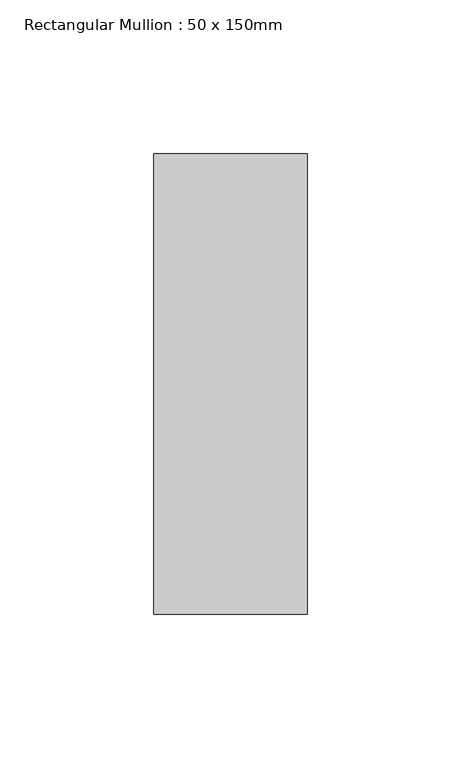
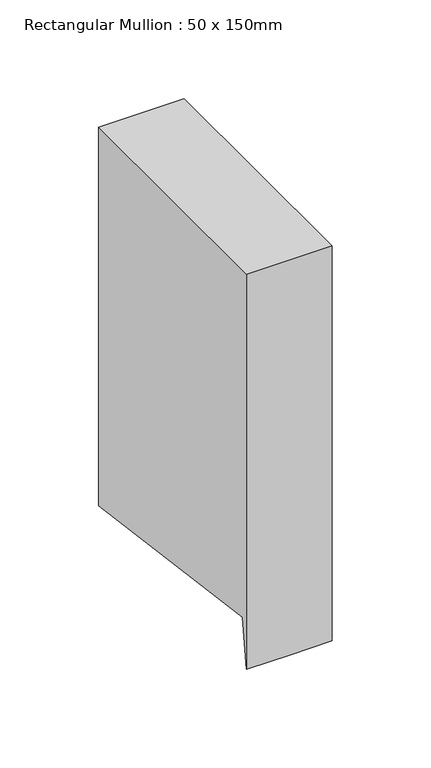
"""IFC4 building model written with IfcOpenShell, lengths in millimetres: member geometry, Rectangular Mullion : 50 x 150mm."""

from ifc_helpers import new_model, si_unit, origin, place, context, project, spatial, faceted_brep, source, transform, mapped, element, save


def rectangular_mullion_50_x_150mm_d0955bd7(model_context):
    return source(origin(), model_context, "Body", "Brep", [
        faceted_brep([(25.0, 75.0, 0.0), (-25.0, 75.0, 0.0), (-25.0, -75.0, 0.0), (25.0, -75.0, 0.0), (25.0, 75.0, -233.9438204), (0.0, 75.0, -233.9438204), (-25.0, 75.0, -233.9438204), (-25.0, -71.0328341, -214.4506495), (-25.0, -75.0, -244.1706206), (0.0, -75.0, -244.1706206), (25.0, -75.0, -244.1706206), (25.0, -71.0328341, -214.4506495), (0.0, -71.0328341, -214.4506495)], [[[0, 1, 2, 3]], [[1, 0, 4, 5, 6]], [[2, 1, 6, 7, 8]], [[3, 2, 8, 9, 10]], [[0, 3, 10, 11, 4]], [[4, 11, 12, 5]], [[11, 10, 9, 12]], [[9, 8, 7, 12]], [[7, 6, 5, 12]]]),
    ])


if __name__ == "__main__":
    model = new_model("IFC4")
    model_context = context("Model", 3, world=origin())
    ifc_project = project(units=[si_unit("LENGTHUNIT", "METRE", prefix="MILLI")], contexts=[model_context])
    site = spatial("IfcSite", under=ifc_project)
    building = spatial("IfcBuilding", under=site)
    placement = place(None, origin())
    rectangular_mullion_50_x_150mm_shape = rectangular_mullion_50_x_150mm_d0955bd7(model_context)
    element("IfcMember", 1, ObjectType="Rectangular Mullion : 50 x 150mm", at=placement, inside=building, context=model_context, shape_type="MappedRepresentation", body=[
        mapped(rectangular_mullion_50_x_150mm_shape, transform((0.0, 0.0, 0.0), x_axis=(1.0, 0.0, 0.0), y_axis=(0.0, 1.0, 0.0), z_axis=(0.0, 0.0, 1.0))),
    ])
    save(model, "model.ifc")
